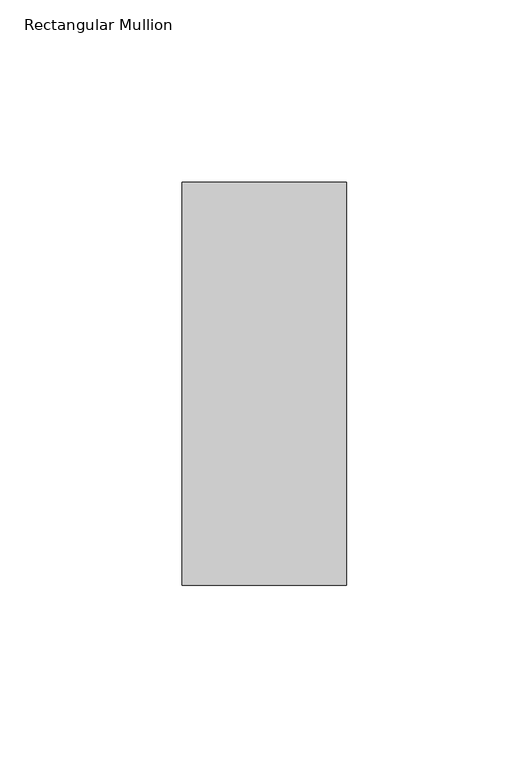
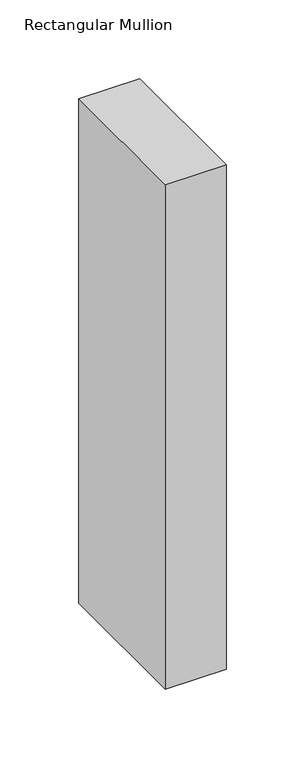
"""IFC4 building model written with IfcOpenShell, lengths in millimetres: member geometry, Rectangular Mullion."""

from ifc_helpers import new_model, si_unit, frame, origin, place, context, project, spatial, polyline, outline, extrude, source, transform, mapped, element, save


def rectangular_mullion_29fe0856(model_context):
    return source(origin(), model_context, "Body", "SweptSolid", [
        extrude(outline(polyline([(0.0, -70.7), (-45.0, -70.7), (-45.0, 39.7), (0.0, 39.7), (0.0, -70.7)])), frame((0.0, 0.0, -392.1578125), z_axis=(0.0, 0.0, 1.0), x_axis=(1.0, 0.0, 0.0)), (0.0, 0.0, 1.0), 392.1578125),
    ])


if __name__ == "__main__":
    model = new_model("IFC4")
    model_context = context("Model", 3, world=origin())
    ifc_project = project(units=[si_unit("LENGTHUNIT", "METRE", prefix="MILLI")], contexts=[model_context])
    site = spatial("IfcSite", under=ifc_project)
    building = spatial("IfcBuilding", under=site)
    placement = place(None, origin())
    rectangular_mullion_shape = rectangular_mullion_29fe0856(model_context)
    element("IfcMember", 1, ObjectType="Rectangular Mullion", at=placement, inside=building, context=model_context, shape_type="MappedRepresentation", body=[
        mapped(rectangular_mullion_shape, transform((0.0, 0.0, 0.0), x_axis=(1.0, 0.0, 0.0), y_axis=(0.0, 1.0, 0.0), z_axis=(0.0, 0.0, 1.0))),
    ])
    save(model, "model.ifc")
